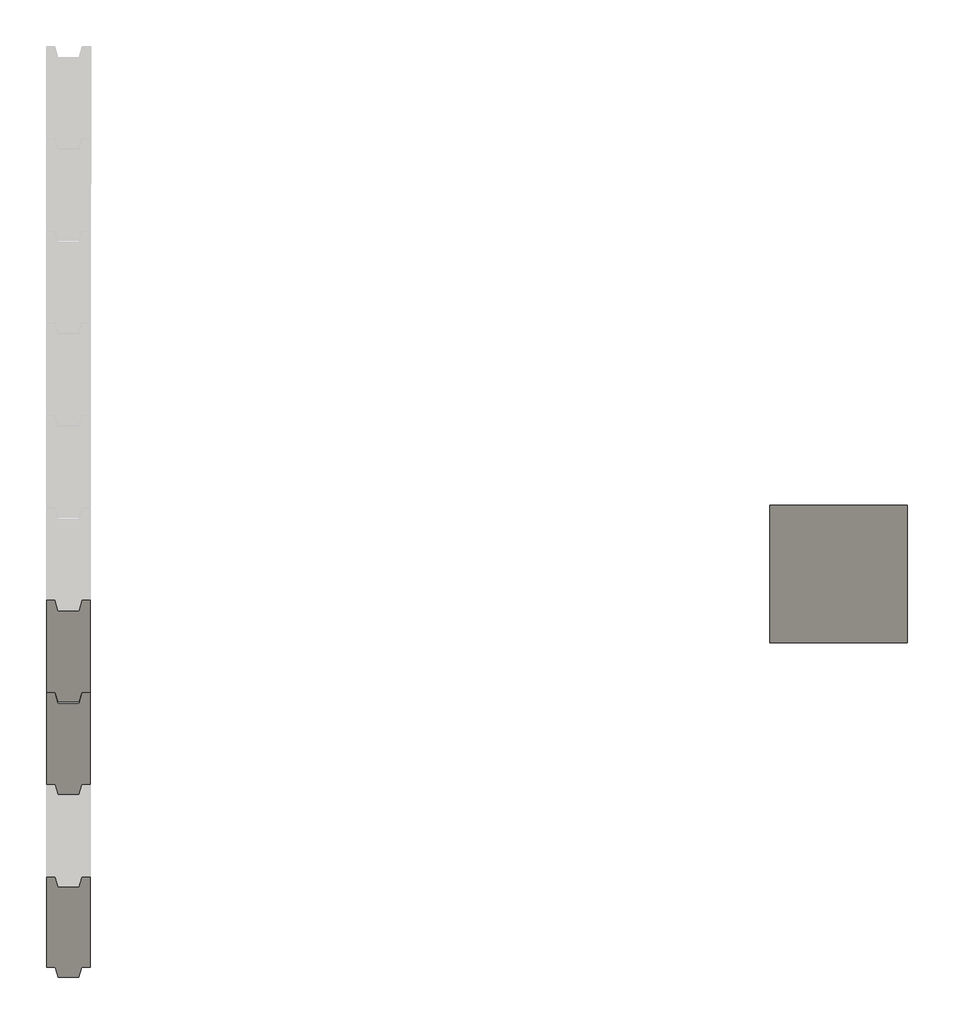
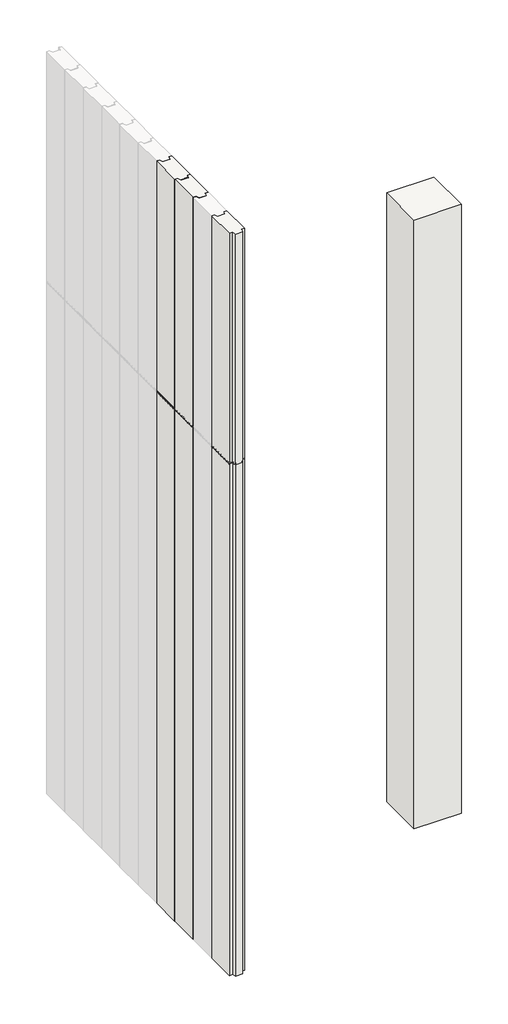
# One storey, part 2 of 3: 4 slabs.
"""IFC4 building model written with IfcOpenShell, lengths in millimetres."""

from ifc_helpers import new_model, si_unit, frame, origin, place, context, project, spatial, polyline, outline, extrude, faceted_brep, element, save

model = new_model("IFC4")

# Units and contexts
model_context = context("Model", 3, world=origin())
ifc_project = project(units=[si_unit("LENGTHUNIT", "METRE", prefix="MILLI")], contexts=[model_context])

# Site, building, storey
site = spatial("IfcSite", under=ifc_project)
building = spatial("IfcBuilding", under=site)
storey = spatial("IfcBuildingStorey", under=building, Elevation=-3000.0)

# Slabs
placement = place(None, origin())
element("IfcSlab", 1, at=placement, inside=storey, context=model_context, shape_type="Brep", body=[
    faceted_brep([(9811.5715394, 57442.1979602, 145.0), (9811.572012, 57609.1979602, 145.0), (9796.572012, 57609.1980027, 145.0), (9791.2129715, 57589.1980178, 145.0), (9751.9309392, 57589.198129, 145.0), (9746.572012, 57609.1981442, 145.0), (9731.572012, 57609.1981866, 145.0), (9731.5715394, 57442.1981866, 145.0), (9747.5715394, 57442.1981413, 145.0), (9753.0746407, 57424.1981258, 145.0), (9790.0683361, 57424.1980211, 145.0), (9795.5715394, 57442.1980055, 145.0), (9795.5715394, 57442.1980055, -1140.9159706), (9811.5715394, 57442.1979602, -1140.9159706), (9790.0683361, 57424.1980211, -1142.0678249), (9791.3159156, 57428.2786281, -1135.0), (9793.0810688, 57434.0521258, -1145.0), (9794.686751, 57439.3040224, -1135.9034405), (9753.0746407, 57424.1981258, -1142.0678249), (9747.5715394, 57442.1981413, -1140.9159706), (9748.4563114, 57439.3041532, -1135.9034405), (9750.0619638, 57434.0522476, -1145.0), (9751.8270844, 57428.2787399, -1135.0), (9731.5715394, 57442.1981866, -1140.9159706), (9731.572012, 57609.1981866, -1136.2177826), (9731.5719976, 57604.1277711, -1145.0), (9731.5719813, 57598.3542684, -1135.0), (9731.5719649, 57592.5807657, -1145.0), (9731.5719486, 57586.807263, -1135.0), (9731.5719323, 57581.0337603, -1145.0), (9731.5719174, 57575.7818592, -1135.9034405), (9731.5719025, 57570.5299581, -1145.0), (9731.5718862, 57564.7564554, -1135.0), (9731.5718699, 57558.9829527, -1145.0), (9731.5718535, 57553.20945, -1135.0), (9731.5718372, 57547.4359474, -1145.0), (9731.5718208, 57541.6624447, -1135.0), (9731.5718045, 57535.888942, -1145.0), (9731.5717882, 57530.1154393, -1135.0), (9731.5717718, 57524.3419366, -1145.0), (9731.5717555, 57518.5684339, -1135.0), (9731.5717391, 57512.7949312, -1145.0), (9731.5717243, 57507.5430301, -1135.9034405), (9731.5717094, 57502.291129, -1145.0), (9731.5716931, 57496.5176263, -1135.0), (9731.5716767, 57490.7441236, -1145.0), (9731.5716604, 57484.9706209, -1135.0), (9731.5716441, 57479.1971182, -1145.0), (9731.5716277, 57473.4236156, -1135.0), (9731.5716114, 57467.6501129, -1145.0), (9731.571595, 57461.8766102, -1135.0), (9731.5715787, 57456.1031075, -1145.0), (9731.5715624, 57450.3296048, -1135.0), (9731.571546, 57444.5561021, -1145.0), (9746.572012, 57609.1981442, -1136.2177826), (9751.9309392, 57589.198129, -1139.1412012), (9751.0245895, 57592.5807106, -1145.0), (9749.4776004, 57598.3542177, -1135.0), (9747.9306114, 57604.1277248, -1145.0), (9791.2129715, 57589.1980178, -1139.1412012), (9796.572012, 57609.1980027, -1136.2177826), (9795.2133839, 57604.127591, -1145.0), (9793.6663621, 57598.3540927, -1135.0), (9792.1193404, 57592.5805943, -1145.0), (9811.572012, 57609.1979602, -1136.2177826), (9811.571546, 57444.5558757, -1145.0), (9811.5715624, 57450.3293784, -1135.0), (9811.5715787, 57456.1028811, -1145.0), (9811.571595, 57461.8763838, -1135.0), (9811.5716114, 57467.6498865, -1145.0), (9811.5716277, 57473.4233892, -1135.0), (9811.5716441, 57479.1968918, -1145.0), (9811.5716604, 57484.9703945, -1135.0), (9811.5716767, 57490.7438972, -1145.0), (9811.5716931, 57496.5173999, -1135.0), (9811.5717094, 57502.2909026, -1145.0), (9811.5717243, 57507.5428037, -1135.9034405), (9811.5717391, 57512.7947048, -1145.0), (9811.5717555, 57518.5682075, -1135.0), (9811.5717718, 57524.3417102, -1145.0), (9811.5717882, 57530.1152129, -1135.0), (9811.5718045, 57535.8887156, -1145.0), (9811.5718208, 57541.6622183, -1135.0), (9811.5718372, 57547.435721, -1145.0), (9811.5718535, 57553.2092236, -1135.0), (9811.5718699, 57558.9827263, -1145.0), (9811.5718862, 57564.756229, -1135.0), (9811.5719025, 57570.5297317, -1145.0), (9811.5719174, 57575.7816328, -1135.9034405), (9811.5719323, 57581.0335339, -1145.0), (9811.5719486, 57586.8070366, -1135.0), (9811.5719649, 57592.5805393, -1145.0), (9811.5719813, 57598.354042, -1135.0), (9811.5719976, 57604.1275447, -1145.0)], [[[0, 1, 2, 3, 4, 5, 6, 7, 8, 9, 10, 11]], [[11, 12, 13, 0]], [[10, 14, 15, 16, 17, 12, 11]], [[9, 18, 14, 10]], [[8, 19, 20, 21, 22, 18, 9]], [[7, 23, 19, 8]], [[6, 24, 25, 26, 27, 28, 29, 30, 31, 32, 33, 34, 35, 36, 37, 38, 39, 40, 41, 42, 43, 44, 45, 46, 47, 48, 49, 50, 51, 52, 53, 23, 7]], [[5, 54, 24, 6]], [[4, 55, 56, 57, 58, 54, 5]], [[3, 59, 55, 4]], [[2, 60, 61, 62, 63, 59, 3]], [[1, 64, 60, 2]], [[0, 13, 65, 66, 67, 68, 69, 70, 71, 72, 73, 74, 75, 76, 77, 78, 79, 80, 81, 82, 83, 84, 85, 86, 87, 88, 89, 90, 91, 92, 93, 64, 1]], [[89, 88, 30, 29]], [[29, 28, 90, 89]], [[28, 27, 56, 55, 59, 63, 91, 90]], [[27, 26, 57, 56]], [[63, 62, 92, 91]], [[26, 25, 58, 57]], [[62, 61, 93, 92]], [[25, 24, 54, 58]], [[61, 60, 64, 93]], [[15, 14, 18, 22]], [[22, 21, 16, 15]], [[21, 20, 17, 16]], [[65, 13, 12, 17, 20, 19, 23, 53]], [[53, 52, 66, 65]], [[52, 51, 67, 66]], [[51, 50, 68, 67]], [[50, 49, 69, 68]], [[49, 48, 70, 69]], [[48, 47, 71, 70]], [[47, 46, 72, 71]], [[46, 45, 73, 72]], [[45, 44, 74, 73]], [[44, 43, 75, 74]], [[43, 42, 76, 75]], [[42, 41, 77, 76]], [[41, 40, 78, 77]], [[40, 39, 79, 78]], [[39, 38, 80, 79]], [[38, 37, 81, 80]], [[37, 36, 82, 81]], [[36, 35, 83, 82]], [[35, 34, 84, 83]], [[34, 33, 85, 84]], [[33, 32, 86, 85]], [[32, 31, 87, 86]], [[88, 87, 31, 30]]]),
    faceted_brep([(9811.5715394, 57442.1979602, -4000.0), (9795.5715394, 57442.1980055, -4000.0), (9790.0683361, 57424.1980211, -4000.0), (9753.0746407, 57424.1981258, -4000.0), (9747.5715394, 57442.1981413, -4000.0), (9731.5715394, 57442.1981866, -4000.0), (9731.572012, 57609.1981866, -4000.0), (9746.572012, 57609.1981442, -4000.0), (9751.9309392, 57589.198129, -4000.0), (9791.2129715, 57589.1980178, -4000.0), (9796.572012, 57609.1980027, -4000.0), (9811.572012, 57609.1979602, -4000.0), (9811.572012, 57609.1979602, -1135.0), (9811.5715394, 57442.1979602, -1135.0), (9796.572012, 57609.1980027, -1135.0), (9791.2129715, 57589.1980178, -1135.0), (9751.9309392, 57589.198129, -1135.0), (9756.5719554, 57589.1981159, -1135.0), (9756.5719554, 57589.1981159, -1139.1412012), (9786.5719554, 57589.198031, -1139.1412012), (9786.5719554, 57589.198031, -1135.0), (9746.572012, 57609.1981442, -1135.0), (9731.572012, 57609.1981866, -1135.0), (9731.5715394, 57442.1981866, -1135.0), (9747.5715394, 57442.1981413, -1135.0), (9753.0746407, 57424.1981258, -1135.0), (9790.0683361, 57424.1980211, -1135.0), (9786.5714884, 57424.198031, -1135.0), (9786.5714884, 57424.198031, -1142.0678249), (9756.5714884, 57424.1981159, -1142.0678249), (9756.5714884, 57424.1981159, -1135.0), (9795.5715394, 57442.1980055, -1135.0), (9786.5719323, 57581.0336047, -1145.0), (9756.5719323, 57581.0336896, -1145.0), (9756.5719174, 57575.7817885, -1135.9034405), (9786.5719174, 57575.7817036, -1135.9034405), (9786.5719486, 57586.8071073, -1135.0), (9756.5719486, 57586.8071922, -1135.0), (9756.5715, 57428.2787265, -1135.0), (9786.5715, 57428.2786416, -1135.0), (9786.5715163, 57434.0521443, -1145.0), (9756.5715163, 57434.0522292, -1145.0), (9786.5715312, 57439.3040454, -1135.9034405), (9756.5715312, 57439.3041303, -1135.9034405), (9786.571546, 57444.5559464, -1145.0), (9756.571546, 57444.5560313, -1145.0), (9786.5715624, 57450.3294491, -1135.0), (9756.5715624, 57450.329534, -1135.0), (9786.5715787, 57456.1029518, -1145.0), (9756.5715787, 57456.1030367, -1145.0), (9786.571595, 57461.8764545, -1135.0), (9756.571595, 57461.8765394, -1135.0), (9786.5716114, 57467.6499572, -1145.0), (9756.5716114, 57467.6500421, -1145.0), (9786.5716277, 57473.4234599, -1135.0), (9756.5716277, 57473.4235448, -1135.0), (9786.5716441, 57479.1969626, -1145.0), (9756.5716441, 57479.1970475, -1145.0), (9786.5716604, 57484.9704653, -1135.0), (9756.5716604, 57484.9705502, -1135.0), (9786.5716767, 57490.743968, -1145.0), (9756.5716767, 57490.7440529, -1145.0), (9786.5716931, 57496.5174707, -1135.0), (9756.5716931, 57496.5175556, -1135.0), (9786.5717094, 57502.2909734, -1145.0), (9756.5717094, 57502.2910583, -1145.0), (9786.5717243, 57507.5428745, -1135.9034405), (9756.5717243, 57507.5429594, -1135.9034405), (9786.5717391, 57512.7947756, -1145.0), (9756.5717391, 57512.7948605, -1145.0), (9786.5717555, 57518.5682782, -1135.0), (9756.5717555, 57518.5683631, -1135.0), (9786.5717718, 57524.3417809, -1145.0), (9756.5717718, 57524.3418658, -1145.0), (9786.5717882, 57530.1152836, -1135.0), (9756.5717882, 57530.1153685, -1135.0), (9786.5718045, 57535.8887863, -1145.0), (9756.5718045, 57535.8888712, -1145.0), (9786.5718208, 57541.662289, -1135.0), (9756.5718208, 57541.6623739, -1135.0), (9786.5718372, 57547.4357917, -1145.0), (9756.5718372, 57547.4358766, -1145.0), (9786.5718535, 57553.2092944, -1135.0), (9756.5718535, 57553.2093793, -1135.0), (9786.5718699, 57558.9827971, -1145.0), (9756.5718699, 57558.982882, -1145.0), (9786.5718862, 57564.7562998, -1135.0), (9756.5718862, 57564.7563847, -1135.0), (9786.5719025, 57570.5298025, -1145.0), (9756.5719025, 57570.5298874, -1145.0)], [[[0, 1, 2, 3, 4, 5, 6, 7, 8, 9, 10, 11]], [[11, 12, 13, 0]], [[10, 14, 12, 11]], [[9, 15, 14, 10]], [[8, 16, 17, 18, 19, 20, 15, 9]], [[7, 21, 16, 8]], [[6, 22, 21, 7]], [[5, 23, 22, 6]], [[4, 24, 23, 5]], [[3, 25, 24, 4]], [[2, 26, 27, 28, 29, 30, 25, 3]], [[1, 31, 26, 2]], [[0, 13, 31, 1]], [[32, 33, 34, 35]], [[36, 37, 33, 32]], [[36, 19, 18, 37]], [[38, 29, 28, 39]], [[40, 41, 38, 39]], [[42, 43, 41, 40]], [[44, 45, 43, 42]], [[46, 47, 45, 44]], [[48, 49, 47, 46]], [[50, 51, 49, 48]], [[52, 53, 51, 50]], [[54, 55, 53, 52]], [[56, 57, 55, 54]], [[58, 59, 57, 56]], [[60, 61, 59, 58]], [[62, 63, 61, 60]], [[64, 65, 63, 62]], [[66, 67, 65, 64]], [[68, 69, 67, 66]], [[70, 71, 69, 68]], [[72, 73, 71, 70]], [[74, 75, 73, 72]], [[76, 77, 75, 74]], [[78, 79, 77, 76]], [[80, 81, 79, 78]], [[82, 83, 81, 80]], [[84, 85, 83, 82]], [[86, 87, 85, 84]], [[88, 89, 87, 86]], [[35, 34, 89, 88]], [[47, 38, 41, 43, 45]], [[51, 47, 49]], [[55, 51, 53]], [[59, 55, 57]], [[37, 87, 89, 34, 33]], [[63, 59, 61]], [[87, 83, 85]], [[71, 63, 65, 67, 69]], [[83, 79, 81]], [[79, 75, 77]], [[38, 30, 29]], [[75, 71, 73]], [[18, 17, 37]], [[25, 30, 38, 47, 51, 55, 59, 63, 71, 75, 79, 83, 87, 37, 17, 16, 21, 22, 23, 24]], [[13, 12, 14, 15, 20, 36, 86, 82, 78, 74, 70, 62, 58, 54, 50, 46, 39, 27, 26, 31]], [[86, 36, 32, 35, 88]], [[74, 78, 76]], [[82, 86, 84]], [[78, 82, 80]], [[70, 74, 72]], [[62, 70, 68, 66, 64]], [[58, 62, 60]], [[54, 58, 56]], [[50, 54, 52]], [[46, 50, 48]], [[39, 46, 44, 42, 40]], [[28, 27, 39]], [[36, 20, 19]]]),
])
element("IfcSlab", 2, at=placement, inside=storey, context=model_context, shape_type="Brep", body=[
    faceted_brep([(9811.5710639, 57274.1979602, 145.0), (9811.5715365, 57441.1979602, 145.0), (9796.5715365, 57441.1980027, 145.0), (9791.2124961, 57421.1980178, 145.0), (9751.9304638, 57421.198129, 145.0), (9746.5715365, 57441.1981442, 145.0), (9731.5715365, 57441.1981866, 145.0), (9731.5710639, 57274.1981866, 145.0), (9747.5710639, 57274.1981413, 145.0), (9753.0741652, 57256.1981258, 145.0), (9790.0678607, 57256.1980211, 145.0), (9795.5710639, 57274.1980055, 145.0), (9795.5710639, 57274.1980055, -1140.9159706), (9811.5710639, 57274.1979602, -1140.9159706), (9790.0678607, 57256.1980211, -1142.0678249), (9791.3154401, 57260.2786281, -1135.0), (9793.0805934, 57266.0521258, -1145.0), (9794.6862755, 57271.3040224, -1135.9034405), (9753.0741652, 57256.1981258, -1142.0678249), (9747.5710639, 57274.1981413, -1140.9159706), (9748.4558359, 57271.3041532, -1135.9034405), (9750.0614884, 57266.0522476, -1145.0), (9751.8266089, 57260.2787399, -1135.0), (9731.5710639, 57274.1981866, -1140.9159706), (9731.5715365, 57441.1981866, -1136.2177826), (9731.5715222, 57436.1277711, -1145.0), (9731.5715058, 57430.3542684, -1135.0), (9731.5714895, 57424.5807657, -1145.0), (9731.5714732, 57418.807263, -1135.0), (9731.5714568, 57413.0337603, -1145.0), (9731.571442, 57407.7818592, -1135.9034405), (9731.5714271, 57402.5299581, -1145.0), (9731.5714108, 57396.7564554, -1135.0), (9731.5713944, 57390.9829527, -1145.0), (9731.5713781, 57385.20945, -1135.0), (9731.5713617, 57379.4359474, -1145.0), (9731.5713454, 57373.6624447, -1135.0), (9731.5713291, 57367.888942, -1145.0), (9731.5713127, 57362.1154393, -1135.0), (9731.5712964, 57356.3419366, -1145.0), (9731.57128, 57350.5684339, -1135.0), (9731.5712637, 57344.7949312, -1145.0), (9731.5712488, 57339.5430301, -1135.9034405), (9731.571234, 57334.291129, -1145.0), (9731.5712176, 57328.5176263, -1135.0), (9731.5712013, 57322.7441236, -1145.0), (9731.571185, 57316.9706209, -1135.0), (9731.5711686, 57311.1971182, -1145.0), (9731.5711523, 57305.4236156, -1135.0), (9731.5711359, 57299.6501129, -1145.0), (9731.5711196, 57293.8766102, -1135.0), (9731.5711033, 57288.1031075, -1145.0), (9731.5710869, 57282.3296048, -1135.0), (9731.5710706, 57276.5561021, -1145.0), (9746.5715365, 57441.1981442, -1136.2177826), (9751.9304638, 57421.198129, -1139.1412012), (9751.024114, 57424.5807106, -1145.0), (9749.477125, 57430.3542177, -1135.0), (9747.9301359, 57436.1277248, -1145.0), (9791.2124961, 57421.1980178, -1139.1412012), (9796.5715365, 57441.1980027, -1136.2177826), (9795.2129084, 57436.127591, -1145.0), (9793.6658867, 57430.3540927, -1135.0), (9792.118865, 57424.5805943, -1145.0), (9811.5715365, 57441.1979602, -1136.2177826), (9811.5710706, 57276.5558757, -1145.0), (9811.5710869, 57282.3293784, -1135.0), (9811.5711033, 57288.1028811, -1145.0), (9811.5711196, 57293.8763838, -1135.0), (9811.5711359, 57299.6498865, -1145.0), (9811.5711523, 57305.4233892, -1135.0), (9811.5711686, 57311.1968918, -1145.0), (9811.571185, 57316.9703945, -1135.0), (9811.5712013, 57322.7438972, -1145.0), (9811.5712176, 57328.5173999, -1135.0), (9811.571234, 57334.2909026, -1145.0), (9811.5712488, 57339.5428037, -1135.9034405), (9811.5712637, 57344.7947048, -1145.0), (9811.57128, 57350.5682075, -1135.0), (9811.5712964, 57356.3417102, -1145.0), (9811.5713127, 57362.1152129, -1135.0), (9811.5713291, 57367.8887156, -1145.0), (9811.5713454, 57373.6622183, -1135.0), (9811.5713617, 57379.435721, -1145.0), (9811.5713781, 57385.2092236, -1135.0), (9811.5713944, 57390.9827263, -1145.0), (9811.5714108, 57396.756229, -1135.0), (9811.5714271, 57402.5297317, -1145.0), (9811.571442, 57407.7816328, -1135.9034405), (9811.5714568, 57413.0335339, -1145.0), (9811.5714732, 57418.8070366, -1135.0), (9811.5714895, 57424.5805393, -1145.0), (9811.5715058, 57430.354042, -1135.0), (9811.5715222, 57436.1275447, -1145.0)], [[[0, 1, 2, 3, 4, 5, 6, 7, 8, 9, 10, 11]], [[11, 12, 13, 0]], [[10, 14, 15, 16, 17, 12, 11]], [[9, 18, 14, 10]], [[8, 19, 20, 21, 22, 18, 9]], [[7, 23, 19, 8]], [[6, 24, 25, 26, 27, 28, 29, 30, 31, 32, 33, 34, 35, 36, 37, 38, 39, 40, 41, 42, 43, 44, 45, 46, 47, 48, 49, 50, 51, 52, 53, 23, 7]], [[5, 54, 24, 6]], [[4, 55, 56, 57, 58, 54, 5]], [[3, 59, 55, 4]], [[2, 60, 61, 62, 63, 59, 3]], [[1, 64, 60, 2]], [[0, 13, 65, 66, 67, 68, 69, 70, 71, 72, 73, 74, 75, 76, 77, 78, 79, 80, 81, 82, 83, 84, 85, 86, 87, 88, 89, 90, 91, 92, 93, 64, 1]], [[89, 88, 30, 29]], [[29, 28, 90, 89]], [[28, 27, 56, 55, 59, 63, 91, 90]], [[27, 26, 57, 56]], [[63, 62, 92, 91]], [[26, 25, 58, 57]], [[62, 61, 93, 92]], [[25, 24, 54, 58]], [[61, 60, 64, 93]], [[15, 14, 18, 22]], [[22, 21, 16, 15]], [[21, 20, 17, 16]], [[65, 13, 12, 17, 20, 19, 23, 53]], [[53, 52, 66, 65]], [[52, 51, 67, 66]], [[51, 50, 68, 67]], [[50, 49, 69, 68]], [[49, 48, 70, 69]], [[48, 47, 71, 70]], [[47, 46, 72, 71]], [[46, 45, 73, 72]], [[45, 44, 74, 73]], [[44, 43, 75, 74]], [[43, 42, 76, 75]], [[42, 41, 77, 76]], [[41, 40, 78, 77]], [[40, 39, 79, 78]], [[39, 38, 80, 79]], [[38, 37, 81, 80]], [[37, 36, 82, 81]], [[36, 35, 83, 82]], [[35, 34, 84, 83]], [[34, 33, 85, 84]], [[33, 32, 86, 85]], [[32, 31, 87, 86]], [[88, 87, 31, 30]]]),
    faceted_brep([(9811.5710639, 57274.1979602, -4000.0), (9795.5710639, 57274.1980055, -4000.0), (9790.0678607, 57256.1980211, -4000.0), (9753.0741652, 57256.1981258, -4000.0), (9747.5710639, 57274.1981413, -4000.0), (9731.5710639, 57274.1981866, -4000.0), (9731.5715365, 57441.1981866, -4000.0), (9746.5715365, 57441.1981442, -4000.0), (9751.9304638, 57421.198129, -4000.0), (9791.2124961, 57421.1980178, -4000.0), (9796.5715365, 57441.1980027, -4000.0), (9811.5715365, 57441.1979602, -4000.0), (9811.5715365, 57441.1979602, -1135.0), (9811.5710639, 57274.1979602, -1135.0), (9796.5715365, 57441.1980027, -1135.0), (9791.2124961, 57421.1980178, -1135.0), (9751.9304638, 57421.198129, -1135.0), (9756.5714799, 57421.1981159, -1135.0), (9756.5714799, 57421.1981159, -1139.1412012), (9786.5714799, 57421.198031, -1139.1412012), (9786.5714799, 57421.198031, -1135.0), (9746.5715365, 57441.1981442, -1135.0), (9731.5715365, 57441.1981866, -1135.0), (9731.5710639, 57274.1981866, -1135.0), (9747.5710639, 57274.1981413, -1135.0), (9753.0741652, 57256.1981258, -1135.0), (9790.0678607, 57256.1980211, -1135.0), (9786.571013, 57256.198031, -1135.0), (9786.571013, 57256.198031, -1142.0678249), (9756.571013, 57256.1981159, -1142.0678249), (9756.571013, 57256.1981159, -1135.0), (9795.5710639, 57274.1980055, -1135.0), (9786.5714568, 57413.0336047, -1145.0), (9756.5714568, 57413.0336896, -1145.0), (9756.571442, 57407.7817885, -1135.9034405), (9786.571442, 57407.7817036, -1135.9034405), (9786.5714732, 57418.8071073, -1135.0), (9756.5714732, 57418.8071922, -1135.0), (9756.5710245, 57260.2787265, -1135.0), (9786.5710245, 57260.2786416, -1135.0), (9786.5710409, 57266.0521443, -1145.0), (9756.5710409, 57266.0522292, -1145.0), (9786.5710557, 57271.3040454, -1135.9034405), (9756.5710557, 57271.3041303, -1135.9034405), (9786.5710706, 57276.5559464, -1145.0), (9756.5710706, 57276.5560313, -1145.0), (9786.5710869, 57282.3294491, -1135.0), (9756.5710869, 57282.329534, -1135.0), (9786.5711033, 57288.1029518, -1145.0), (9756.5711033, 57288.1030367, -1145.0), (9786.5711196, 57293.8764545, -1135.0), (9756.5711196, 57293.8765394, -1135.0), (9786.5711359, 57299.6499572, -1145.0), (9756.5711359, 57299.6500421, -1145.0), (9786.5711523, 57305.4234599, -1135.0), (9756.5711523, 57305.4235448, -1135.0), (9786.5711686, 57311.1969626, -1145.0), (9756.5711686, 57311.1970475, -1145.0), (9786.571185, 57316.9704653, -1135.0), (9756.571185, 57316.9705502, -1135.0), (9786.5712013, 57322.743968, -1145.0), (9756.5712013, 57322.7440529, -1145.0), (9786.5712176, 57328.5174707, -1135.0), (9756.5712176, 57328.5175556, -1135.0), (9786.571234, 57334.2909734, -1145.0), (9756.571234, 57334.2910583, -1145.0), (9786.5712488, 57339.5428745, -1135.9034405), (9756.5712488, 57339.5429594, -1135.9034405), (9786.5712637, 57344.7947756, -1145.0), (9756.5712637, 57344.7948605, -1145.0), (9786.57128, 57350.5682782, -1135.0), (9756.57128, 57350.5683631, -1135.0), (9786.5712964, 57356.3417809, -1145.0), (9756.5712964, 57356.3418658, -1145.0), (9786.5713127, 57362.1152836, -1135.0), (9756.5713127, 57362.1153685, -1135.0), (9786.5713291, 57367.8887863, -1145.0), (9756.5713291, 57367.8888712, -1145.0), (9786.5713454, 57373.662289, -1135.0), (9756.5713454, 57373.6623739, -1135.0), (9786.5713617, 57379.4357917, -1145.0), (9756.5713617, 57379.4358766, -1145.0), (9786.5713781, 57385.2092944, -1135.0), (9756.5713781, 57385.2093793, -1135.0), (9786.5713944, 57390.9827971, -1145.0), (9756.5713944, 57390.982882, -1145.0), (9786.5714108, 57396.7562998, -1135.0), (9756.5714108, 57396.7563847, -1135.0), (9786.5714271, 57402.5298025, -1145.0), (9756.5714271, 57402.5298874, -1145.0)], [[[0, 1, 2, 3, 4, 5, 6, 7, 8, 9, 10, 11]], [[11, 12, 13, 0]], [[10, 14, 12, 11]], [[9, 15, 14, 10]], [[8, 16, 17, 18, 19, 20, 15, 9]], [[7, 21, 16, 8]], [[6, 22, 21, 7]], [[5, 23, 22, 6]], [[4, 24, 23, 5]], [[3, 25, 24, 4]], [[2, 26, 27, 28, 29, 30, 25, 3]], [[1, 31, 26, 2]], [[0, 13, 31, 1]], [[32, 33, 34, 35]], [[36, 37, 33, 32]], [[36, 19, 18, 37]], [[38, 29, 28, 39]], [[40, 41, 38, 39]], [[42, 43, 41, 40]], [[44, 45, 43, 42]], [[46, 47, 45, 44]], [[48, 49, 47, 46]], [[50, 51, 49, 48]], [[52, 53, 51, 50]], [[54, 55, 53, 52]], [[56, 57, 55, 54]], [[58, 59, 57, 56]], [[60, 61, 59, 58]], [[62, 63, 61, 60]], [[64, 65, 63, 62]], [[66, 67, 65, 64]], [[68, 69, 67, 66]], [[70, 71, 69, 68]], [[72, 73, 71, 70]], [[74, 75, 73, 72]], [[76, 77, 75, 74]], [[78, 79, 77, 76]], [[80, 81, 79, 78]], [[82, 83, 81, 80]], [[84, 85, 83, 82]], [[86, 87, 85, 84]], [[88, 89, 87, 86]], [[35, 34, 89, 88]], [[47, 38, 41, 43, 45]], [[51, 47, 49]], [[55, 51, 53]], [[59, 55, 57]], [[37, 87, 89, 34, 33]], [[63, 59, 61]], [[87, 83, 85]], [[71, 63, 65, 67, 69]], [[83, 79, 81]], [[79, 75, 77]], [[38, 30, 29]], [[75, 71, 73]], [[18, 17, 37]], [[25, 30, 38, 47, 51, 55, 59, 63, 71, 75, 79, 83, 87, 37, 17, 16, 21, 22, 23, 24]], [[13, 12, 14, 15, 20, 36, 86, 82, 78, 74, 70, 62, 58, 54, 50, 46, 39, 27, 26, 31]], [[86, 36, 32, 35, 88]], [[74, 78, 76]], [[82, 86, 84]], [[78, 82, 80]], [[70, 74, 72]], [[62, 70, 68, 66, 64]], [[58, 62, 60]], [[54, 58, 56]], [[50, 54, 52]], [[46, 50, 48]], [[39, 46, 44, 42, 40]], [[28, 27, 39]], [[36, 20, 19]]]),
])
element("IfcSlab", 3, at=placement, inside=storey, context=model_context, shape_type="Brep", body=[
    faceted_brep([(9731.5705885, 56941.1981866, 145.0), (9747.5705885, 56941.1981413, 145.0), (9753.0736898, 56923.1981258, 145.0), (9790.0673853, 56923.1980211, 145.0), (9795.5705885, 56941.1980055, 145.0), (9811.5705885, 56941.1979602, 145.0), (9811.5710554, 57106.1979602, 145.0), (9796.035157, 57106.1980042, 145.0), (9791.2120206, 57088.1980178, 145.0), (9790.0673853, 57088.1980211, 145.0), (9753.0736898, 57088.1981258, 145.0), (9751.9299883, 57088.198129, 145.0), (9747.1069538, 57106.1981427, 145.0), (9731.5710554, 57106.1981866, 145.0), (9795.5705885, 56941.1980055, -1140.9159706), (9811.5705885, 56941.1979602, -1140.9159706), (9790.0673853, 56923.1980211, -1142.0678249), (9791.3149647, 56927.2786281, -1135.0), (9793.0801179, 56933.0521258, -1145.0), (9794.6858001, 56938.3040224, -1135.9034405), (9753.0736898, 56923.1981258, -1142.0678249), (9747.5705885, 56941.1981413, -1140.9159706), (9748.4553605, 56938.3041532, -1135.9034405), (9750.0610129, 56933.0522476, -1145.0), (9751.8261335, 56927.2787399, -1135.0), (9731.5705885, 56941.1981866, -1140.9159706), (9731.5710554, 57106.1981866, -1139.6818843), (9731.5710467, 57103.1277711, -1145.0), (9731.5710304, 57097.3542684, -1135.0), (9731.5710141, 57091.5807657, -1145.0), (9731.5709977, 57085.807263, -1135.0), (9731.5709814, 57080.0337603, -1145.0), (9731.5709665, 57074.7818592, -1135.9034405), (9731.5709517, 57069.5299581, -1145.0), (9731.5709353, 57063.7564554, -1135.0), (9731.570919, 57057.9829527, -1145.0), (9731.5709026, 57052.20945, -1135.0), (9731.5708863, 57046.4359474, -1145.0), (9731.57087, 57040.6624447, -1135.0), (9731.5708536, 57034.888942, -1145.0), (9731.5708373, 57029.1154393, -1135.0), (9731.5708209, 57023.3419366, -1145.0), (9731.5708046, 57017.5684339, -1135.0), (9731.5707883, 57011.7949312, -1145.0), (9731.5707734, 57006.5430301, -1135.9034405), (9731.5707585, 57001.291129, -1145.0), (9731.5707422, 56995.5176263, -1135.0), (9731.5707259, 56989.7441236, -1145.0), (9731.5707095, 56983.9706209, -1135.0), (9731.5706932, 56978.1971182, -1145.0), (9731.5706768, 56972.4236156, -1135.0), (9731.5706605, 56966.6501129, -1145.0), (9731.5706442, 56960.8766102, -1135.0), (9731.5706278, 56955.1031075, -1145.0), (9731.5706115, 56949.3296048, -1135.0), (9731.5705951, 56943.5561021, -1145.0), (9751.9299883, 57088.198129, -1139.1412012), (9751.0236386, 57091.5807106, -1145.0), (9749.4766495, 57097.3542177, -1135.0), (9747.9296605, 57103.1277248, -1145.0), (9747.1069538, 57106.1981427, -1139.6818843), (9791.2120206, 57088.1980178, -1139.1412012), (9790.0673853, 57088.1980211, -1139.1412012), (9786.5705375, 57088.198031, -1139.1412012), (9756.5705375, 57088.1981159, -1139.1412012), (9753.0736898, 57088.1981258, -1139.1412012), (9796.035157, 57106.1980042, -1139.6818843), (9795.212433, 57103.127591, -1145.0), (9793.6654113, 57097.3540927, -1135.0), (9792.1183895, 57091.5805943, -1145.0), (9811.5705951, 56943.5558757, -1145.0), (9811.5706115, 56949.3293784, -1135.0), (9811.5706278, 56955.1028811, -1145.0), (9811.5706442, 56960.8763838, -1135.0), (9811.5706605, 56966.6498865, -1145.0), (9811.5706768, 56972.4233892, -1135.0), (9811.5706932, 56978.1968918, -1145.0), (9811.5707095, 56983.9703945, -1135.0), (9811.5707259, 56989.7438972, -1145.0), (9811.5707422, 56995.5173999, -1135.0), (9811.5707585, 57001.2909026, -1145.0), (9811.5707734, 57006.5428037, -1135.9034405), (9811.5707883, 57011.7947048, -1145.0), (9811.5708046, 57017.5682075, -1135.0), (9811.5708209, 57023.3417102, -1145.0), (9811.5708373, 57029.1152129, -1135.0), (9811.5708536, 57034.8887156, -1145.0), (9811.57087, 57040.6622183, -1135.0), (9811.5708863, 57046.435721, -1145.0), (9811.5709026, 57052.2092236, -1135.0), (9811.570919, 57057.9827263, -1145.0), (9811.5709353, 57063.756229, -1135.0), (9811.5709517, 57069.5297317, -1145.0), (9811.5709665, 57074.7816328, -1135.9034405), (9811.5709814, 57080.0335339, -1145.0), (9811.5709977, 57085.8070366, -1135.0), (9811.5710141, 57091.5805393, -1145.0), (9811.5710304, 57097.354042, -1135.0), (9811.5710467, 57103.1275447, -1145.0), (9811.5710554, 57106.1979602, -1139.6818843)], [[[0, 1, 2, 3, 4, 5, 6, 7, 8, 9, 10, 11, 12, 13]], [[5, 4, 14, 15]], [[4, 3, 16, 17, 18, 19, 14]], [[3, 2, 20, 16]], [[2, 1, 21, 22, 23, 24, 20]], [[1, 0, 25, 21]], [[25, 0, 13, 26, 27, 28, 29, 30, 31, 32, 33, 34, 35, 36, 37, 38, 39, 40, 41, 42, 43, 44, 45, 46, 47, 48, 49, 50, 51, 52, 53, 54, 55]], [[11, 56, 57, 58, 59, 60, 12]], [[56, 11, 10, 9, 8, 61, 62, 63, 64, 65]], [[61, 8, 7, 66, 67, 68, 69]], [[5, 15, 70, 71, 72, 73, 74, 75, 76, 77, 78, 79, 80, 81, 82, 83, 84, 85, 86, 87, 88, 89, 90, 91, 92, 93, 94, 95, 96, 97, 98, 99, 6]], [[32, 31, 94, 93]], [[31, 30, 95, 94]], [[30, 29, 57, 56, 65, 64, 63, 62, 61, 69, 96, 95]], [[69, 68, 97, 96]], [[68, 67, 98, 97]], [[98, 67, 66, 99]], [[17, 16, 20, 24]], [[18, 17, 24, 23]], [[19, 18, 23, 22]], [[15, 14, 19, 22, 21, 25, 55, 70]], [[55, 54, 71, 70]], [[54, 53, 72, 71]], [[53, 52, 73, 72]], [[52, 51, 74, 73]], [[51, 50, 75, 74]], [[50, 49, 76, 75]], [[49, 48, 77, 76]], [[48, 47, 78, 77]], [[47, 46, 79, 78]], [[46, 45, 80, 79]], [[45, 44, 81, 80]], [[44, 43, 82, 81]], [[43, 42, 83, 82]], [[42, 41, 84, 83]], [[41, 40, 85, 84]], [[40, 39, 86, 85]], [[39, 38, 87, 86]], [[38, 37, 88, 87]], [[37, 36, 89, 88]], [[36, 35, 90, 89]], [[35, 34, 91, 90]], [[34, 33, 92, 91]], [[33, 32, 93, 92]], [[29, 28, 58, 57]], [[28, 27, 59, 58]], [[59, 27, 26, 60]], [[13, 12, 60, 26]], [[7, 6, 99, 66]]]),
    faceted_brep([(9747.5705885, 56941.1981413, -4000.0), (9731.5705885, 56941.1981866, -4000.0), (9731.5710554, 57106.1981866, -4000.0), (9747.1069538, 57106.1981427, -4000.0), (9751.9299883, 57088.198129, -4000.0), (9753.0736898, 57088.1981258, -4000.0), (9790.0673853, 57088.1980211, -4000.0), (9791.2120206, 57088.1980178, -4000.0), (9796.035157, 57106.1980042, -4000.0), (9811.5710554, 57106.1979602, -4000.0), (9811.5705885, 56941.1979602, -4000.0), (9795.5705885, 56941.1980055, -4000.0), (9790.0673853, 56923.1980211, -4000.0), (9753.0736898, 56923.1981258, -4000.0), (9811.5705885, 56941.1979602, -1135.0), (9811.5710554, 57106.1979602, -1140.9159706), (9811.5710554, 57106.1979602, -1135.0), (9791.2120206, 57088.1980178, -1135.0), (9796.035157, 57106.1980042, -1135.0), (9796.035157, 57106.1980042, -1140.9159706), (9756.5710045, 57088.1981159, -1139.1412012), (9786.5710045, 57088.198031, -1139.1412012), (9786.5710045, 57088.198031, -1135.0), (9790.0673853, 57088.1980211, -1135.0), (9751.9299883, 57088.198129, -1135.0), (9753.0736898, 57088.1981258, -1135.0), (9756.5710045, 57088.1981159, -1135.0), (9747.1069538, 57106.1981427, -1140.9159706), (9747.1069538, 57106.1981427, -1135.0), (9731.5705885, 56941.1981866, -1135.0), (9731.5710554, 57106.1981866, -1135.0), (9731.5710554, 57106.1981866, -1140.9159706), (9747.5705885, 56941.1981413, -1135.0), (9753.0736898, 56923.1981258, -1135.0), (9790.0673853, 56923.1980211, -1135.0), (9786.5705375, 56923.198031, -1135.0), (9786.5705375, 56923.198031, -1142.0678249), (9756.5705375, 56923.1981159, -1142.0678249), (9756.5705375, 56923.1981159, -1135.0), (9795.5705885, 56941.1980055, -1135.0), (9786.5709814, 57080.0336047, -1145.0), (9756.5709814, 57080.0336896, -1145.0), (9756.5709665, 57074.7817885, -1135.9034405), (9786.5709665, 57074.7817036, -1135.9034405), (9786.5709977, 57085.8071073, -1135.0), (9756.5709977, 57085.8071922, -1135.0), (9786.5705491, 56927.2786416, -1135.0), (9756.5705491, 56927.2787265, -1135.0), (9756.5705654, 56933.0522292, -1145.0), (9786.5705654, 56933.0521443, -1145.0), (9756.5705803, 56938.3041303, -1135.9034405), (9786.5705803, 56938.3040454, -1135.9034405), (9786.5705951, 56943.5559464, -1145.0), (9756.5705951, 56943.5560313, -1145.0), (9786.5706115, 56949.3294491, -1135.0), (9756.5706115, 56949.329534, -1135.0), (9786.5706278, 56955.1029518, -1145.0), (9756.5706278, 56955.1030367, -1145.0), (9786.5706442, 56960.8764545, -1135.0), (9756.5706442, 56960.8765394, -1135.0), (9786.5706605, 56966.6499572, -1145.0), (9756.5706605, 56966.6500421, -1145.0), (9786.5706768, 56972.4234599, -1135.0), (9756.5706768, 56972.4235448, -1135.0), (9786.5706932, 56978.1969626, -1145.0), (9756.5706932, 56978.1970475, -1145.0), (9786.5707095, 56983.9704653, -1135.0), (9756.5707095, 56983.9705502, -1135.0), (9786.5707259, 56989.743968, -1145.0), (9756.5707259, 56989.7440529, -1145.0), (9786.5707422, 56995.5174707, -1135.0), (9756.5707422, 56995.5175556, -1135.0), (9786.5707585, 57001.2909734, -1145.0), (9756.5707585, 57001.2910583, -1145.0), (9786.5707734, 57006.5428745, -1135.9034405), (9756.5707734, 57006.5429594, -1135.9034405), (9786.5707883, 57011.7947756, -1145.0), (9756.5707883, 57011.7948605, -1145.0), (9786.5708046, 57017.5682782, -1135.0), (9756.5708046, 57017.5683631, -1135.0), (9786.5708209, 57023.3417809, -1145.0), (9756.5708209, 57023.3418658, -1145.0), (9786.5708373, 57029.1152836, -1135.0), (9756.5708373, 57029.1153685, -1135.0), (9786.5708536, 57034.8887863, -1145.0), (9756.5708536, 57034.8888712, -1145.0), (9786.57087, 57040.662289, -1135.0), (9756.57087, 57040.6623739, -1135.0), (9786.5708863, 57046.4357917, -1145.0), (9756.5708863, 57046.4358766, -1145.0), (9786.5709026, 57052.2092944, -1135.0), (9756.5709026, 57052.2093793, -1135.0), (9786.570919, 57057.9827971, -1145.0), (9756.570919, 57057.982882, -1145.0), (9786.5709353, 57063.7562998, -1135.0), (9756.5709353, 57063.7563847, -1135.0), (9786.5709517, 57069.5298025, -1145.0), (9756.5709517, 57069.5298874, -1145.0)], [[[0, 1, 2, 3, 4, 5, 6, 7, 8, 9, 10, 11, 12, 13]], [[14, 10, 9, 15, 16]], [[7, 17, 18, 19, 8]], [[20, 21, 22, 23, 17, 7, 6, 5, 4, 24, 25, 26]], [[24, 4, 3, 27, 28]], [[1, 29, 30, 31, 2]], [[1, 0, 32, 29]], [[0, 13, 33, 32]], [[13, 12, 34, 35, 36, 37, 38, 33]], [[12, 11, 39, 34]], [[11, 10, 14, 39]], [[40, 41, 42, 43]], [[41, 40, 44, 45]], [[21, 20, 45, 44]], [[37, 36, 46, 47]], [[48, 47, 46, 49]], [[50, 48, 49, 51]], [[52, 53, 50, 51]], [[53, 52, 54, 55]], [[55, 54, 56, 57]], [[57, 56, 58, 59]], [[59, 58, 60, 61]], [[61, 60, 62, 63]], [[63, 62, 64, 65]], [[65, 64, 66, 67]], [[67, 66, 68, 69]], [[69, 68, 70, 71]], [[71, 70, 72, 73]], [[73, 72, 74, 75]], [[75, 74, 76, 77]], [[77, 76, 78, 79]], [[79, 78, 80, 81]], [[81, 80, 82, 83]], [[83, 82, 84, 85]], [[85, 84, 86, 87]], [[87, 86, 88, 89]], [[89, 88, 90, 91]], [[91, 90, 92, 93]], [[93, 92, 94, 95]], [[95, 94, 96, 97]], [[43, 42, 97, 96]], [[26, 45, 20]], [[32, 33, 38, 47, 55, 59, 63, 67, 71, 79, 83, 87, 91, 95, 45, 26, 25, 24, 28, 30, 29]], [[46, 36, 35]], [[45, 95, 97, 42, 41]], [[95, 91, 93]], [[91, 87, 89]], [[87, 83, 85]], [[81, 83, 79]], [[79, 71, 73, 75, 77]], [[71, 67, 69]], [[67, 63, 65]], [[63, 59, 61]], [[59, 55, 57]], [[55, 47, 48, 50, 53]], [[37, 47, 38]], [[44, 94, 90, 86, 82, 78, 70, 66, 62, 58, 54, 46, 35, 34, 39, 14, 16, 18, 17, 23, 22]], [[54, 52, 51, 49, 46]], [[58, 56, 54]], [[62, 60, 58]], [[66, 64, 62]], [[70, 68, 66]], [[78, 76, 74, 72, 70]], [[82, 80, 78]], [[82, 86, 84]], [[86, 90, 88]], [[90, 94, 92]], [[94, 44, 40, 43, 96]], [[22, 21, 44]], [[3, 2, 31, 30, 28, 27]], [[9, 8, 19, 18, 16, 15]]]),
])
element("IfcSlab", 4, ObjectType="04", at=placement, inside=storey, context=model_context, shape_type="SweptSolid", body=[
    extrude(outline(polyline([(11299.0410473, 57782.1603783), (11299.0410473, 57532.1603783), (11049.0410473, 57532.1603783), (11049.0410473, 57782.1603783), (11299.0410473, 57782.1603783)])), frame((0.0, 0.0, -4000.0), z_axis=(0.0, 0.0, 1.0), x_axis=(1.0, 0.0, 0.0)), (0.0, 0.0, 1.0), 3400.0),
])

save(model, "model.ifc")
